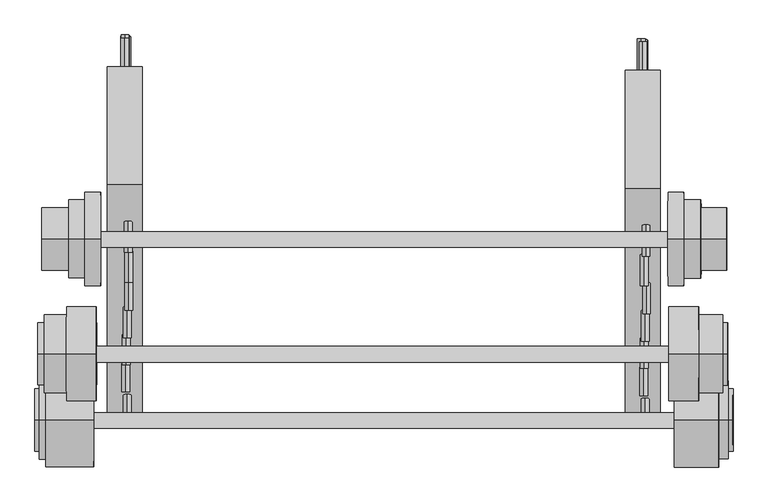
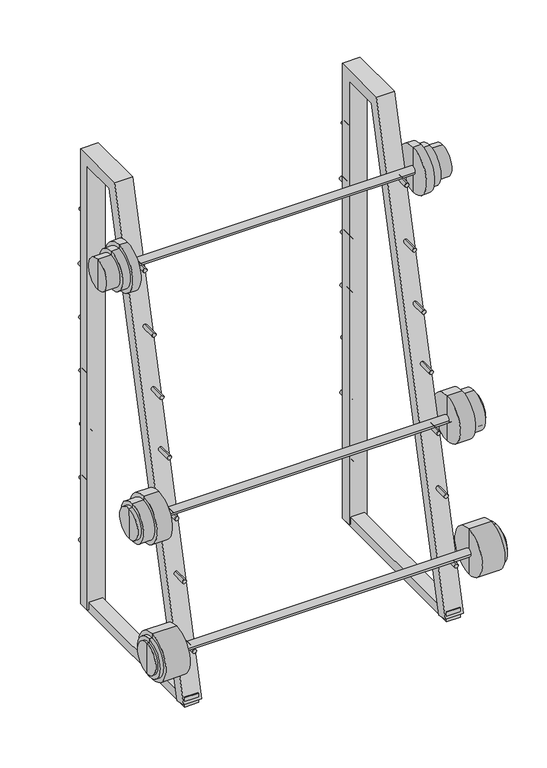
"""IFC4 building model written with IfcOpenShell, lengths in millimetres: proxy geometry."""

from ifc_helpers import new_model, si_unit, point, frame, frame_2d, origin, place, context, project, spatial, polyline, circle_curve, trimmed, segment, composite_curve, outline, extrude, source, transform, mapped, element, save
from ifc_brep_helpers import plane_surface, cylinder_surface, advanced_brep


def specialty_equipment_4a1b104c(model_context):
    return source(origin(), model_context, "Body", "SolidModel", [
        extrude(outline(composite_curve([segment(trimmed(circle_curve(frame_2d((1317.4327593, 1426.5135242)), 6.35), [point((1311.0827593, 1426.5135242))], [point((1323.7827593, 1426.5135242))], False, "CARTESIAN"), True, "CONTINUOUS"), segment(trimmed(circle_curve(frame_2d((1317.4327593, 1426.5135242)), 6.35), [point((1323.7827593, 1426.5135242))], [point((1311.0827593, 1426.5135242))], False, "CARTESIAN"), True, "CONTINUOUS")], self_intersect=False)), frame((0.0, -2543.6443645, 0.0), z_axis=(0.0, 1.0, 0.0), x_axis=(0.0, 0.0, 1.0)), (0.0, 0.0, 1.0), 50.8),
        extrude(outline(composite_curve([segment(trimmed(circle_curve(frame_2d((1125.8539952, 1423.9521431)), 6.35), [point((1119.5039952, 1423.9521431))], [point((1132.2039952, 1423.9521431))], False, "CARTESIAN"), True, "CONTINUOUS"), segment(trimmed(circle_curve(frame_2d((1125.8539952, 1423.9521431)), 6.35), [point((1132.2039952, 1423.9521431))], [point((1119.5039952, 1423.9521431))], False, "CARTESIAN"), True, "CONTINUOUS")], self_intersect=False)), frame((0.0, -2538.3928713, 0.0), z_axis=(0.0, 1.0, 0.0), x_axis=(0.0, 0.0, 1.0)), (0.0, 0.0, 1.0), 50.8),
        extrude(outline(composite_curve([segment(trimmed(circle_curve(frame_2d((944.9274605, 1426.8239084)), 6.35), [point((938.5774605, 1426.8239084))], [point((951.2774605, 1426.8239084))], False, "CARTESIAN"), True, "CONTINUOUS"), segment(trimmed(circle_curve(frame_2d((944.9274605, 1426.8239084)), 6.35), [point((951.2774605, 1426.8239084))], [point((938.5774605, 1426.8239084))], False, "CARTESIAN"), True, "CONTINUOUS")], self_intersect=False)), frame((0.0, -2540.0196629, 0.0), z_axis=(0.0, 1.0, 0.0), x_axis=(0.0, 0.0, 1.0)), (0.0, 0.0, 1.0), 50.8),
        extrude(outline(composite_curve([segment(trimmed(circle_curve(frame_2d((764.8635011, 1424.3394588)), 6.35), [point((758.5135011, 1424.3394588))], [point((771.2135011, 1424.3394588))], False, "CARTESIAN"), True, "CONTINUOUS"), segment(trimmed(circle_curve(frame_2d((764.8635011, 1424.3394588)), 6.35), [point((771.2135011, 1424.3394588))], [point((758.5135011, 1424.3394588))], False, "CARTESIAN"), True, "CONTINUOUS")], self_intersect=False)), frame((0.0, -2540.83498, 0.0), z_axis=(0.0, 1.0, 0.0), x_axis=(0.0, 0.0, 1.0)), (0.0, 0.0, 1.0), 50.8),
        extrude(outline(composite_curve([segment(trimmed(circle_curve(frame_2d((588.0030748, 1426.3858814)), 6.35), [point((581.6530748, 1426.3858814))], [point((594.3530748, 1426.3858814))], False, "CARTESIAN"), True, "CONTINUOUS"), segment(trimmed(circle_curve(frame_2d((588.0030748, 1426.3858814)), 6.35), [point((594.3530748, 1426.3858814))], [point((581.6530748, 1426.3858814))], False, "CARTESIAN"), True, "CONTINUOUS")], self_intersect=False)), frame((0.0, -2541.4876236, 0.0), z_axis=(0.0, 1.0, 0.0), x_axis=(0.0, 0.0, 1.0)), (0.0, 0.0, 1.0), 50.8),
        extrude(outline(composite_curve([segment(trimmed(circle_curve(frame_2d((399.6720756, 1425.3663836)), 6.35), [point((393.3220756, 1425.3663836))], [point((406.0220756, 1425.3663836))], False, "CARTESIAN"), True, "CONTINUOUS"), segment(trimmed(circle_curve(frame_2d((399.6720756, 1425.3663836)), 6.35), [point((406.0220756, 1425.3663836))], [point((393.3220756, 1425.3663836))], False, "CARTESIAN"), True, "CONTINUOUS")], self_intersect=False)), frame((0.0, -2539.4122407, 0.0), z_axis=(0.0, 1.0, 0.0), x_axis=(0.0, 0.0, 1.0)), (0.0, 0.0, 1.0), 50.8),
        extrude(outline(composite_curve([segment(trimmed(circle_curve(frame_2d((189.5629531, 1427.5541395)), 6.35), [point((183.2129531, 1427.5541395))], [point((195.9129531, 1427.5541395))], False, "CARTESIAN"), True, "CONTINUOUS"), segment(trimmed(circle_curve(frame_2d((189.5629531, 1427.5541395)), 6.35), [point((195.9129531, 1427.5541395))], [point((183.2129531, 1427.5541395))], False, "CARTESIAN"), True, "CONTINUOUS")], self_intersect=False)), frame((0.0, -2540.3354538, 0.0), z_axis=(0.0, 1.0, 0.0), x_axis=(0.0, 0.0, 1.0)), (0.0, 0.0, 1.0), 50.8),
        extrude(outline(composite_curve([segment(trimmed(circle_curve(frame_2d((1312.35276, 1431.4679697)), 6.35), [point((1306.00276, 1431.4679697))], [point((1318.70276, 1431.4679697))], False, "CARTESIAN"), True, "CONTINUOUS"), segment(trimmed(circle_curve(frame_2d((1312.35276, 1431.4679697)), 6.35), [point((1318.70276, 1431.4679697))], [point((1306.00276, 1431.4679697))], False, "CARTESIAN"), True, "CONTINUOUS")], self_intersect=False)), frame((0.0, -2839.633564, 0.0), z_axis=(0.0, 1.0, 0.0), x_axis=(0.0, 0.0, 1.0)), (0.0, 0.0, 1.0), 50.8),
        extrude(outline(composite_curve([segment(trimmed(circle_curve(frame_2d((1122.2914332, 1428.4125784)), 6.35), [point((1115.9414332, 1428.4125784))], [point((1128.6414332, 1428.4125784))], False, "CARTESIAN"), True, "CONTINUOUS"), segment(trimmed(circle_curve(frame_2d((1122.2914332, 1428.4125784)), 6.35), [point((1128.6414332, 1428.4125784))], [point((1115.9414332, 1428.4125784))], False, "CARTESIAN"), True, "CONTINUOUS")], self_intersect=False)), frame((0.0, -2887.5451793, 0.0), z_axis=(0.0, 1.0, 0.0), x_axis=(0.0, 0.0, 1.0)), (0.0, 0.0, 1.0), 50.8),
        extrude(outline(composite_curve([segment(trimmed(circle_curve(frame_2d((937.6070397, 1432.260968)), 6.35), [point((931.2570397, 1432.260968))], [point((943.9570397, 1432.260968))], False, "CARTESIAN"), True, "CONTINUOUS"), segment(trimmed(circle_curve(frame_2d((937.6070397, 1432.260968)), 6.35), [point((943.9570397, 1432.260968))], [point((931.2570397, 1432.260968))], False, "CARTESIAN"), True, "CONTINUOUS")], self_intersect=False)), frame((0.0, -2933.0458181, 0.0), z_axis=(0.0, 1.0, 0.0), x_axis=(0.0, 0.0, 1.0)), (0.0, 0.0, 1.0), 50.8),
        extrude(outline(composite_curve([segment(trimmed(circle_curve(frame_2d((760.7995017, 1430.304206)), 6.35), [point((754.4495017, 1430.304206))], [point((767.1495017, 1430.304206))], False, "CARTESIAN"), True, "CONTINUOUS"), segment(trimmed(circle_curve(frame_2d((760.7995017, 1430.304206)), 6.35), [point((767.1495017, 1430.304206))], [point((754.4495017, 1430.304206))], False, "CARTESIAN"), True, "CONTINUOUS")], self_intersect=False)), frame((0.0, -2977.6345753, 0.0), z_axis=(0.0, 1.0, 0.0), x_axis=(0.0, 0.0, 1.0)), (0.0, 0.0, 1.0), 50.8),
        extrude(outline(composite_curve([segment(trimmed(circle_curve(frame_2d((580.8910758, 1428.5055717)), 6.35), [point((574.5410758, 1428.5055717))], [point((587.2410758, 1428.5055717))], False, "CARTESIAN"), True, "CONTINUOUS"), segment(trimmed(circle_curve(frame_2d((580.8910758, 1428.5055717)), 6.35), [point((587.2410758, 1428.5055717))], [point((574.5410758, 1428.5055717))], False, "CARTESIAN"), True, "CONTINUOUS")], self_intersect=False)), frame((0.0, -3021.3924421, 0.0), z_axis=(0.0, 1.0, 0.0), x_axis=(0.0, 0.0, 1.0)), (0.0, 0.0, 1.0), 50.8),
        extrude(outline(composite_curve([segment(trimmed(circle_curve(frame_2d((394.2354828, 1427.8426674)), 6.35), [point((387.8854828, 1427.8426674))], [point((400.5854828, 1427.8426674))], False, "CARTESIAN"), True, "CONTINUOUS"), segment(trimmed(circle_curve(frame_2d((394.2354828, 1427.8426674)), 6.35), [point((400.5854828, 1427.8426674))], [point((387.8854828, 1427.8426674))], False, "CARTESIAN"), True, "CONTINUOUS")], self_intersect=False)), frame((0.0, -3065.2802405, 0.0), z_axis=(0.0, 1.0, 0.0), x_axis=(0.0, 0.0, 1.0)), (0.0, 0.0, 1.0), 50.8),
        extrude(outline(composite_curve([segment(trimmed(circle_curve(frame_2d((187.9856629, 1430.0350758)), 6.35), [point((181.6356629, 1430.0350758))], [point((194.3356629, 1430.0350758))], False, "CARTESIAN"), True, "CONTINUOUS"), segment(trimmed(circle_curve(frame_2d((187.9856629, 1430.0350758)), 6.35), [point((194.3356629, 1430.0350758))], [point((181.6356629, 1430.0350758))], False, "CARTESIAN"), True, "CONTINUOUS")], self_intersect=False)), frame((0.0, -3117.4542686, 0.0), z_axis=(0.0, 1.0, 0.0), x_axis=(0.0, 0.0, 1.0)), (0.0, 0.0, 1.0), 50.8),
        extrude(outline(polyline([(1446.6601812, -2540.4948136), (1446.6601812, -3111.1850195), (1402.2101812, -3111.1850195), (1402.2101812, -2540.4948136), (1446.6601812, -2540.4948136)])), frame((0.0, 0.0, 4.9132086), z_axis=(0.0, 0.0, 1.0), x_axis=(1.0, 0.0, 0.0)), (0.0, 0.0, 1.0), 31.75),
        extrude(outline(polyline([(-2577.1651415, 11.1358081), (-2577.1651415, 1518.3324861), (-2699.6336255, 1518.3324861), (-3076.4335043, 7.0707166), (-3113.4017715, 16.2879408), (-2729.4006079, 1556.4324861), (-2539.0651415, 1556.4324861), (-2539.0651415, 11.1358081), (-2577.1651415, 11.1358081)])), frame((1397.4459215, 0.0, 0.0), z_axis=(1.0, 0.0, 0.0), x_axis=(0.0, 1.0, 0.0)), (0.0, 0.0, 1.0), 57.15),
        extrude(outline(composite_curve([segment(trimmed(circle_curve(frame_2d((1315.2965711, 587.3718635)), 6.35), [point((1308.9465711, 587.3718635))], [point((1321.6465711, 587.3718635))], False, "CARTESIAN"), True, "CONTINUOUS"), segment(trimmed(circle_curve(frame_2d((1315.2965711, 587.3718635)), 6.35), [point((1321.6465711, 587.3718635))], [point((1308.9465711, 587.3718635))], False, "CARTESIAN"), True, "CONTINUOUS")], self_intersect=False)), frame((0.0, -2537.5626911, 0.0), z_axis=(0.0, 1.0, 0.0), x_axis=(0.0, 0.0, 1.0)), (0.0, 0.0, 1.0), 50.8),
        extrude(outline(composite_curve([segment(trimmed(circle_curve(frame_2d((1126.3554326, 587.8134083)), 6.35), [point((1120.0054326, 587.8134083))], [point((1132.7054326, 587.8134083))], False, "CARTESIAN"), True, "CONTINUOUS"), segment(trimmed(circle_curve(frame_2d((1126.3554326, 587.8134083)), 6.35), [point((1132.7054326, 587.8134083))], [point((1120.0054326, 587.8134083))], False, "CARTESIAN"), True, "CONTINUOUS")], self_intersect=False)), frame((0.0, -2532.3111979, 0.0), z_axis=(0.0, 1.0, 0.0), x_axis=(0.0, 0.0, 1.0)), (0.0, 0.0, 1.0), 50.8),
        extrude(outline(composite_curve([segment(trimmed(circle_curve(frame_2d((945.089174, 588.4374808)), 6.35), [point((938.739174, 588.4374808))], [point((951.439174, 588.4374808))], False, "CARTESIAN"), True, "CONTINUOUS"), segment(trimmed(circle_curve(frame_2d((945.089174, 588.4374808)), 6.35), [point((951.439174, 588.4374808))], [point((938.739174, 588.4374808))], False, "CARTESIAN"), True, "CONTINUOUS")], self_intersect=False)), frame((0.0, -2533.9379895, 0.0), z_axis=(0.0, 1.0, 0.0), x_axis=(0.0, 0.0, 1.0)), (0.0, 0.0, 1.0), 50.8),
        extrude(outline(composite_curve([segment(trimmed(circle_curve(frame_2d((764.8635011, 588.4276243)), 6.35), [point((758.5135011, 588.4276243))], [point((771.2135011, 588.4276243))], False, "CARTESIAN"), True, "CONTINUOUS"), segment(trimmed(circle_curve(frame_2d((764.8635011, 588.4276243)), 6.35), [point((771.2135011, 588.4276243))], [point((758.5135011, 588.4276243))], False, "CARTESIAN"), True, "CONTINUOUS")], self_intersect=False)), frame((0.0, -2534.7533066, 0.0), z_axis=(0.0, 1.0, 0.0), x_axis=(0.0, 0.0, 1.0)), (0.0, 0.0, 1.0), 50.8),
        extrude(outline(composite_curve([segment(trimmed(circle_curve(frame_2d((582.9887015, 590.4529638)), 6.35), [point((576.6387015, 590.4529638))], [point((589.3387015, 590.4529638))], False, "CARTESIAN"), True, "CONTINUOUS"), segment(trimmed(circle_curve(frame_2d((582.9887015, 590.4529638)), 6.35), [point((589.3387015, 590.4529638))], [point((576.6387015, 590.4529638))], False, "CARTESIAN"), True, "CONTINUOUS")], self_intersect=False)), frame((0.0, -2535.4059502, 0.0), z_axis=(0.0, 1.0, 0.0), x_axis=(0.0, 0.0, 1.0)), (0.0, 0.0, 1.0), 50.8),
        extrude(outline(composite_curve([segment(trimmed(circle_curve(frame_2d((400.331482, 589.3243871)), 6.35), [point((393.981482, 589.3243871))], [point((406.681482, 589.3243871))], False, "CARTESIAN"), True, "CONTINUOUS"), segment(trimmed(circle_curve(frame_2d((400.331482, 589.3243871)), 6.35), [point((406.681482, 589.3243871))], [point((393.981482, 589.3243871))], False, "CARTESIAN"), True, "CONTINUOUS")], self_intersect=False)), frame((0.0, -2533.3305673, 0.0), z_axis=(0.0, 1.0, 0.0), x_axis=(0.0, 0.0, 1.0)), (0.0, 0.0, 1.0), 50.8),
        extrude(outline(composite_curve([segment(trimmed(circle_curve(frame_2d((189.0615158, 587.403906)), 6.35), [point((182.7115158, 587.403906))], [point((195.4115158, 587.403906))], False, "CARTESIAN"), True, "CONTINUOUS"), segment(trimmed(circle_curve(frame_2d((189.0615158, 587.403906)), 6.35), [point((195.4115158, 587.403906))], [point((182.7115158, 587.403906))], False, "CARTESIAN"), True, "CONTINUOUS")], self_intersect=False)), frame((0.0, -2534.2537804, 0.0), z_axis=(0.0, 1.0, 0.0), x_axis=(0.0, 0.0, 1.0)), (0.0, 0.0, 1.0), 50.8),
        extrude(outline(composite_curve([segment(trimmed(circle_curve(frame_2d((1312.35276, 592.8220482)), 6.35), [point((1306.00276, 592.8220482))], [point((1318.70276, 592.8220482))], False, "CARTESIAN"), True, "CONTINUOUS"), segment(trimmed(circle_curve(frame_2d((1312.35276, 592.8220482)), 6.35), [point((1318.70276, 592.8220482))], [point((1306.00276, 592.8220482))], False, "CARTESIAN"), True, "CONTINUOUS")], self_intersect=False)), frame((0.0, -2833.5518906, 0.0), z_axis=(0.0, 1.0, 0.0), x_axis=(0.0, 0.0, 1.0)), (0.0, 0.0, 1.0), 50.8),
        extrude(outline(composite_curve([segment(trimmed(circle_curve(frame_2d((1122.2914332, 593.8032274)), 6.35), [point((1115.9414332, 593.8032274))], [point((1128.6414332, 593.8032274))], False, "CARTESIAN"), True, "CONTINUOUS"), segment(trimmed(circle_curve(frame_2d((1122.2914332, 593.8032274)), 6.35), [point((1128.6414332, 593.8032274))], [point((1115.9414332, 593.8032274))], False, "CARTESIAN"), True, "CONTINUOUS")], self_intersect=False)), frame((0.0, -2882.0401589, 0.0), z_axis=(0.0, 1.0, 0.0), x_axis=(0.0, 0.0, 1.0)), (0.0, 0.0, 1.0), 50.8),
        extrude(outline(composite_curve([segment(trimmed(circle_curve(frame_2d((937.6070397, 593.6150465)), 6.35), [point((931.2570397, 593.6150465))], [point((943.9570397, 593.6150465))], False, "CARTESIAN"), True, "CONTINUOUS"), segment(trimmed(circle_curve(frame_2d((937.6070397, 593.6150465)), 6.35), [point((943.9570397, 593.6150465))], [point((931.2570397, 593.6150465))], False, "CARTESIAN"), True, "CONTINUOUS")], self_intersect=False)), frame((0.0, -2926.9641447, 0.0), z_axis=(0.0, 1.0, 0.0), x_axis=(0.0, 0.0, 1.0)), (0.0, 0.0, 1.0), 50.8),
        extrude(outline(composite_curve([segment(trimmed(circle_curve(frame_2d((760.7995017, 591.6582845)), 6.35), [point((754.4495017, 591.6582845))], [point((767.1495017, 591.6582845))], False, "CARTESIAN"), True, "CONTINUOUS"), segment(trimmed(circle_curve(frame_2d((760.7995017, 591.6582845)), 6.35), [point((767.1495017, 591.6582845))], [point((754.4495017, 591.6582845))], False, "CARTESIAN"), True, "CONTINUOUS")], self_intersect=False)), frame((0.0, -2971.5529019, 0.0), z_axis=(0.0, 1.0, 0.0), x_axis=(0.0, 0.0, 1.0)), (0.0, 0.0, 1.0), 50.8),
        extrude(outline(composite_curve([segment(trimmed(circle_curve(frame_2d((580.8910758, 589.8596502)), 6.35), [point((574.5410758, 589.8596502))], [point((587.2410758, 589.8596502))], False, "CARTESIAN"), True, "CONTINUOUS"), segment(trimmed(circle_curve(frame_2d((580.8910758, 589.8596502)), 6.35), [point((587.2410758, 589.8596502))], [point((574.5410758, 589.8596502))], False, "CARTESIAN"), True, "CONTINUOUS")], self_intersect=False)), frame((0.0, -3015.3107687, 0.0), z_axis=(0.0, 1.0, 0.0), x_axis=(0.0, 0.0, 1.0)), (0.0, 0.0, 1.0), 50.8),
        extrude(outline(composite_curve([segment(trimmed(circle_curve(frame_2d((394.2354828, 589.1967459)), 6.35), [point((387.8854828, 589.1967459))], [point((400.5854828, 589.1967459))], False, "CARTESIAN"), True, "CONTINUOUS"), segment(trimmed(circle_curve(frame_2d((394.2354828, 589.1967459)), 6.35), [point((400.5854828, 589.1967459))], [point((387.8854828, 589.1967459))], False, "CARTESIAN"), True, "CONTINUOUS")], self_intersect=False)), frame((0.0, -3059.1985671, 0.0), z_axis=(0.0, 1.0, 0.0), x_axis=(0.0, 0.0, 1.0)), (0.0, 0.0, 1.0), 50.8),
        extrude(outline(composite_curve([segment(trimmed(circle_curve(frame_2d((187.9856629, 591.3891543)), 6.35), [point((181.6356629, 591.3891543))], [point((194.3356629, 591.3891543))], False, "CARTESIAN"), True, "CONTINUOUS"), segment(trimmed(circle_curve(frame_2d((187.9856629, 591.3891543)), 6.35), [point((194.3356629, 591.3891543))], [point((181.6356629, 591.3891543))], False, "CARTESIAN"), True, "CONTINUOUS")], self_intersect=False)), frame((0.0, -3111.3725952, 0.0), z_axis=(0.0, 1.0, 0.0), x_axis=(0.0, 0.0, 1.0)), (0.0, 0.0, 1.0), 50.8),
        extrude(outline(polyline([(608.0142597, -2534.4131402), (608.0142597, -3105.1033461), (563.5642597, -3105.1033461), (563.5642597, -2534.4131402), (608.0142597, -2534.4131402)])), frame((0.0, 0.0, 4.9132086), z_axis=(0.0, 0.0, 1.0), x_axis=(1.0, 0.0, 0.0)), (0.0, 0.0, 1.0), 31.75),
        extrude(outline(polyline([(-2571.0834681, 11.1358081), (-2571.0834681, 1518.3324861), (-2693.5519522, 1518.3324861), (-3070.3518309, 7.0707166), (-3107.3200981, 16.2879408), (-2723.3189345, 1556.4324861), (-2532.9834681, 1556.4324861), (-2532.9834681, 11.1358081), (-2571.0834681, 11.1358081)])), frame((558.8, 0.0, 0.0), z_axis=(1.0, 0.0, 0.0), x_axis=(0.0, 1.0, 0.0)), (0.0, 0.0, 1.0), 57.15),
        advanced_brep(
        [(1477.0472793, -3104.7601336, 213.458722), (1476.902527, -3104.7601336, 289.6585845), (1477.1920316, -3104.7601336, 137.2588595), (1572.2006059, -3104.7601336, 264.4395707), (1572.2971075, -3104.7601336, 213.6396624), (1572.393609, -3104.7601336, 162.839754), (1564.4748311, -3104.7601336, 264.4248945), (1564.6678342, -3104.7601336, 162.8250778), (1564.4507057, -3104.7601336, 277.1248716), (1564.6919596, -3104.7601336, 150.1251008), (1549.1982907, -3104.7601336, 277.0958975), (1549.4395445, -3104.7601336, 150.0961267), (1549.1741653, -3104.7601336, 289.7958746), (1549.4636699, -3104.7601336, 137.3961496)],
        [
            (0, 1),
            (1, 2, circle_curve(frame((1477.0472793, -3104.7601336, 213.458722), z_axis=(-0.9999981956892882, 0.0, -0.001899636325284712), x_axis=(0.0018996363252847125, 0.0, -0.9999981956892884)), 76.2)),
            (2, 0),
            (2, 1, circle_curve(frame((1477.0472793, -3104.7601336, 213.458722), z_axis=(-0.9999981956892882, 0.0, -0.001899636325284712), x_axis=(0.0018996363252847125, 0.0, -0.9999981956892884)), 76.2)),
            (3, 4),
            (4, 5),
            (5, 3, circle_curve(frame((1572.2971075, -3104.7601336, 213.6396624), z_axis=(0.9999981956892882, 0.0, 0.001899636325284712), x_axis=(0.0018996363252847125, 0.0, -0.9999981956892884)), 50.8)),
            (3, 5, circle_curve(frame((1572.2971075, -3104.7601336, 213.6396624), z_axis=(0.9999981956892882, 0.0, 0.001899636325284712), x_axis=(0.0018996363252847125, 0.0, -0.9999981956892884)), 50.8)),
            (6, 3),
            (5, 7),
            (7, 6, circle_curve(frame((1564.5713327, -3104.7601336, 213.6249862), z_axis=(0.9999981956892882, 0.0, 0.001899636325284712), x_axis=(0.0018996363252847125, 0.0, -0.9999981956892884)), 50.8)),
            (6, 7, circle_curve(frame((1564.5713327, -3104.7601336, 213.6249862), z_axis=(0.9999981956892882, 0.0, 0.001899636325284712), x_axis=(0.0018996363252847125, 0.0, -0.9999981956892884)), 50.8)),
            (8, 6),
            (7, 9),
            (9, 8, circle_curve(frame((1564.5713327, -3104.7601336, 213.6249862), z_axis=(0.9999981956892882, 0.0, 0.001899636325284712), x_axis=(0.0018996363252847125, 0.0, -0.9999981956892884)), 63.5)),
            (8, 9, circle_curve(frame((1564.5713327, -3104.7601336, 213.6249862), z_axis=(0.9999981956892882, 0.0, 0.001899636325284712), x_axis=(0.0018996363252847125, 0.0, -0.9999981956892884)), 63.5)),
            (10, 8),
            (9, 11),
            (11, 10, circle_curve(frame((1549.3189176, -3104.7601336, 213.5960121), z_axis=(0.9999981956892882, 0.0, 0.001899636325284712), x_axis=(0.0018996363252847125, 0.0, -0.9999981956892884)), 63.5)),
            (10, 11, circle_curve(frame((1549.3189176, -3104.7601336, 213.5960121), z_axis=(0.9999981956892882, 0.0, 0.001899636325284712), x_axis=(0.0018996363252847125, 0.0, -0.9999981956892884)), 63.5)),
            (12, 10),
            (11, 13),
            (13, 12, circle_curve(frame((1549.3189176, -3104.7601336, 213.5960121), z_axis=(0.9999981956892882, 0.0, 0.001899636325284712), x_axis=(0.0018996363252847125, 0.0, -0.9999981956892884)), 76.2)),
            (12, 13, circle_curve(frame((1549.3189176, -3104.7601336, 213.5960121), z_axis=(0.9999981956892882, 0.0, 0.001899636325284712), x_axis=(0.0018996363252847125, 0.0, -0.9999981956892884)), 76.2)),
            (1, 12),
            (13, 2),
        ],
        [
            plane_surface(frame((1477.0472793, -3104.7601336, 213.458722), z_axis=(-0.9999981956892882, 0.0, -0.001899636325284712), x_axis=(0.001899636325284712, 0.0, -0.9999981956892882))),
            plane_surface(frame((1572.2971075, -3104.7601336, 213.6396624), z_axis=(0.9999981956892882, 0.0, 0.001899636325284712), x_axis=(0.001899636325284712, 0.0, -0.9999981956892882))),
            cylinder_surface(frame((1572.2971075, -3104.7601336, 213.6396624), z_axis=(-0.9999981956892882, 0.0, -0.001899636325284712), x_axis=(0.0018996363252847125, 0.0, -0.9999981956892884)), 50.8),
            plane_surface(frame((1564.5713327, -3104.7601336, 213.6249862), z_axis=(0.9999981956892882, 0.0, 0.001899636325284712), x_axis=(0.001899636325284712, 0.0, -0.9999981956892882))),
            cylinder_surface(frame((1572.2971075, -3104.7601336, 213.6396624), z_axis=(-0.9999981956892882, 0.0, -0.001899636325284712), x_axis=(0.0018996363252847125, 0.0, -0.9999981956892884)), 63.5),
            plane_surface(frame((1549.3189176, -3104.7601336, 213.5960121), z_axis=(0.9999981956892882, 0.0, 0.001899636325284712), x_axis=(0.001899636325284712, 0.0, -0.9999981956892882))),
            cylinder_surface(frame((1572.2971075, -3104.7601336, 213.6396624), z_axis=(-0.9999981956892882, 0.0, -0.001899636325284712), x_axis=(0.0018996363252847125, 0.0, -0.9999981956892884)), 76.2),
        ],
        [
            (0, [[1, 2, 3]]),
            (0, [[-3, 4, -1]]),
            (1, [[5, 6, 7]]),
            (1, [[-6, -5, 8]]),
            (2, [[9, -7, 10, 11]]),
            (2, [[-10, -8, -9, 12]]),
            (3, [[13, -11, 14, 15]]),
            (3, [[-14, -12, -13, 16]]),
            (4, [[17, -15, 18, 19]]),
            (4, [[-18, -16, -17, 20]]),
            (5, [[21, -19, 22, 23]]),
            (5, [[-22, -20, -21, 24]]),
            (6, [[25, -23, 26, -2]]),
            (6, [[-26, -24, -25, -4]]),
        ],
    ),
        extrude(outline(composite_curve([segment(trimmed(circle_curve(frame_2d((0.0, 12.7)), 12.7), [point((0.0, 25.4))], [point((0.0, 0.0))], False, "CARTESIAN"), True, "CONTINUOUS"), segment(trimmed(circle_curve(frame_2d((0.0, 12.7)), 12.7), [point((0.0, 0.0))], [point((0.0, 25.4))], False, "CARTESIAN"), True, "CONTINUOUS")], self_intersect=False)), frame((537.2546397, -3118.296939, 209.415215), z_axis=(0.9999981956892882, 0.0, 0.0018996363252847118), x_axis=(0.0018996363252847118, 0.0, -0.9999981956892882)), (0.0, 0.0, 1.0), 954.1597835),
        advanced_brep(
        [(459.4851684, -3104.7601336, 289.1733835), (537.1028479, -3104.7601336, 289.3208292), (537.3923524, -3104.7601336, 136.9211042), (459.774673, -3104.7601336, 136.7736585), (459.5092938, -3104.7601336, 276.4734065), (459.7505476, -3104.7601336, 149.4736356), (448.8989181, -3104.7601336, 276.4532506), (449.1401719, -3104.7601336, 149.4534797), (448.9230435, -3104.7601336, 263.7532735), (449.1160466, -3104.7601336, 162.1534568), (441.9012705, -3104.7601336, 263.7399346), (442.0942735, -3104.7601336, 162.140118), (441.997772, -3104.7601336, 212.9400263), (537.2476001, -3104.7601336, 213.1209667)],
        [
            (0, 1),
            (1, 2, circle_curve(frame((537.2476001, -3104.7601336, 213.1209667), z_axis=(-0.9999981956892882, 0.0, -0.001899636325284712), x_axis=(0.0018996363252847125, 0.0, -0.9999981956892884)), 76.2)),
            (2, 3),
            (3, 0, circle_curve(frame((459.6299207, -3104.7601336, 212.973521), z_axis=(0.9999981956892882, 0.0, 0.001899636325284712), x_axis=(0.0018996363252847125, 0.0, -0.9999981956892884)), 76.2)),
            (2, 1, circle_curve(frame((537.2476001, -3104.7601336, 213.1209667), z_axis=(-0.9999981956892882, 0.0, -0.001899636325284712), x_axis=(0.0018996363252847125, 0.0, -0.9999981956892884)), 76.2)),
            (0, 3, circle_curve(frame((459.6299207, -3104.7601336, 212.973521), z_axis=(0.9999981956892882, 0.0, 0.001899636325284712), x_axis=(0.0018996363252847125, 0.0, -0.9999981956892884)), 76.2)),
            (4, 0),
            (3, 5),
            (5, 4, circle_curve(frame((459.6299207, -3104.7601336, 212.973521), z_axis=(0.9999981956892882, 0.0, 0.001899636325284712), x_axis=(0.0018996363252847125, 0.0, -0.9999981956892884)), 63.5)),
            (4, 5, circle_curve(frame((459.6299207, -3104.7601336, 212.973521), z_axis=(0.9999981956892882, 0.0, 0.001899636325284712), x_axis=(0.0018996363252847125, 0.0, -0.9999981956892884)), 63.5)),
            (6, 4),
            (5, 7),
            (7, 6, circle_curve(frame((449.019545, -3104.7601336, 212.9533651), z_axis=(0.9999981956892882, 0.0, 0.001899636325284712), x_axis=(0.0018996363252847125, 0.0, -0.9999981956892884)), 63.5)),
            (6, 7, circle_curve(frame((449.019545, -3104.7601336, 212.9533651), z_axis=(0.9999981956892882, 0.0, 0.001899636325284712), x_axis=(0.0018996363252847125, 0.0, -0.9999981956892884)), 63.5)),
            (8, 6),
            (7, 9),
            (9, 8, circle_curve(frame((449.019545, -3104.7601336, 212.9533651), z_axis=(0.9999981956892882, 0.0, 0.001899636325284712), x_axis=(0.0018996363252847125, 0.0, -0.9999981956892884)), 50.8)),
            (8, 9, circle_curve(frame((449.019545, -3104.7601336, 212.9533651), z_axis=(0.9999981956892882, 0.0, 0.001899636325284712), x_axis=(0.0018996363252847125, 0.0, -0.9999981956892884)), 50.8)),
            (10, 8),
            (9, 11),
            (11, 10, circle_curve(frame((441.997772, -3104.7601336, 212.9400263), z_axis=(0.9999981956892882, 0.0, 0.001899636325284712), x_axis=(0.0018996363252847125, 0.0, -0.9999981956892884)), 50.8)),
            (10, 11, circle_curve(frame((441.997772, -3104.7601336, 212.9400263), z_axis=(0.9999981956892882, 0.0, 0.001899636325284712), x_axis=(0.0018996363252847125, 0.0, -0.9999981956892884)), 50.8)),
            (12, 10),
            (11, 12),
            (1, 13),
            (13, 2),
        ],
        [
            cylinder_surface(frame((441.997772, -3104.7601336, 212.9400263), z_axis=(-0.9999981956892882, 0.0, -0.001899636325284712), x_axis=(0.0018996363252847125, 0.0, -0.9999981956892884)), 76.2),
            plane_surface(frame((459.6299207, -3104.7601336, 212.973521), z_axis=(-0.9999981956892882, 0.0, -0.001899636325284712), x_axis=(0.001899636325284712, 0.0, -0.9999981956892882))),
            cylinder_surface(frame((441.997772, -3104.7601336, 212.9400263), z_axis=(-0.9999981956892882, 0.0, -0.001899636325284712), x_axis=(0.0018996363252847125, 0.0, -0.9999981956892884)), 63.5),
            plane_surface(frame((449.019545, -3104.7601336, 212.9533651), z_axis=(-0.9999981956892882, 0.0, -0.001899636325284712), x_axis=(0.001899636325284712, 0.0, -0.9999981956892882))),
            cylinder_surface(frame((441.997772, -3104.7601336, 212.9400263), z_axis=(-0.9999981956892882, 0.0, -0.001899636325284712), x_axis=(0.0018996363252847125, 0.0, -0.9999981956892884)), 50.8),
            plane_surface(frame((441.997772, -3104.7601336, 212.9400263), z_axis=(-0.9999981956892882, 0.0, -0.001899636325284712), x_axis=(0.001899636325284712, 0.0, -0.9999981956892882))),
            plane_surface(frame((537.2476001, -3104.7601336, 213.1209667), z_axis=(0.9999981956892882, 0.0, 0.001899636325284712), x_axis=(0.001899636325284712, 0.0, -0.9999981956892882))),
        ],
        [
            (0, [[1, 2, 3, 4]]),
            (0, [[-3, 5, -1, 6]]),
            (1, [[7, -4, 8, 9]]),
            (1, [[-8, -6, -7, 10]]),
            (2, [[11, -9, 12, 13]]),
            (2, [[-12, -10, -11, 14]]),
            (3, [[15, -13, 16, 17]]),
            (3, [[-16, -14, -15, 18]]),
            (4, [[19, -17, 20, 21]]),
            (4, [[-20, -18, -19, 22]]),
            (5, [[23, -21, 24]]),
            (5, [[-24, -22, -23]]),
            (6, [[25, 26, -2]]),
            (6, [[-26, -25, -5]]),
        ],
    ),
        advanced_brep(
        [(1467.0818707, -2811.7346779, 1336.6499143), (1466.9371184, -2811.7346779, 1412.8497768), (1467.226623, -2811.7346779, 1260.4500518), (1562.2351973, -2811.7346779, 1387.630763), (1562.3316988, -2811.7346779, 1336.8308547), (1562.4282004, -2811.7346779, 1286.0309463), (1520.2769435, -2811.7346779, 1387.5510574), (1520.4699466, -2811.7346779, 1285.9512408), (1520.2528182, -2811.7346779, 1400.2510345), (1520.494072, -2811.7346779, 1273.2512637), (1492.4141947, -2811.7346779, 1400.1981512), (1492.6554486, -2811.7346779, 1273.1983803), (1492.3900694, -2811.7346779, 1412.8981283), (1492.6795739, -2811.7346779, 1260.4984032)],
        [
            (0, 1),
            (1, 2, circle_curve(frame((1467.0818707, -2811.7346779, 1336.6499143), z_axis=(-0.9999981956892882, 0.0, -0.001899636325284712), x_axis=(0.0018996363252847125, 0.0, -0.9999981956892884)), 76.2)),
            (2, 0),
            (2, 1, circle_curve(frame((1467.0818707, -2811.7346779, 1336.6499143), z_axis=(-0.9999981956892882, 0.0, -0.001899636325284712), x_axis=(0.0018996363252847125, 0.0, -0.9999981956892884)), 76.2)),
            (3, 4),
            (4, 5),
            (5, 3, circle_curve(frame((1562.3316988, -2811.7346779, 1336.8308547), z_axis=(0.9999981956892882, 0.0, 0.001899636325284712), x_axis=(0.0018996363252847125, 0.0, -0.9999981956892884)), 50.8)),
            (3, 5, circle_curve(frame((1562.3316988, -2811.7346779, 1336.8308547), z_axis=(0.9999981956892882, 0.0, 0.001899636325284712), x_axis=(0.0018996363252847125, 0.0, -0.9999981956892884)), 50.8)),
            (6, 3),
            (5, 7),
            (7, 6, circle_curve(frame((1520.3734451, -2811.7346779, 1336.7511491), z_axis=(0.9999981956892882, 0.0, 0.001899636325284712), x_axis=(0.0018996363252847125, 0.0, -0.9999981956892884)), 50.8)),
            (6, 7, circle_curve(frame((1520.3734451, -2811.7346779, 1336.7511491), z_axis=(0.9999981956892882, 0.0, 0.001899636325284712), x_axis=(0.0018996363252847125, 0.0, -0.9999981956892884)), 50.8)),
            (8, 6),
            (7, 9),
            (9, 8, circle_curve(frame((1520.3734451, -2811.7346779, 1336.7511491), z_axis=(0.9999981956892882, 0.0, 0.001899636325284712), x_axis=(0.0018996363252847125, 0.0, -0.9999981956892884)), 63.5)),
            (8, 9, circle_curve(frame((1520.3734451, -2811.7346779, 1336.7511491), z_axis=(0.9999981956892882, 0.0, 0.001899636325284712), x_axis=(0.0018996363252847125, 0.0, -0.9999981956892884)), 63.5)),
            (10, 8),
            (9, 11),
            (11, 10, circle_curve(frame((1492.5348217, -2811.7346779, 1336.6982657), z_axis=(0.9999981956892882, 0.0, 0.001899636325284712), x_axis=(0.0018996363252847125, 0.0, -0.9999981956892884)), 63.5)),
            (10, 11, circle_curve(frame((1492.5348217, -2811.7346779, 1336.6982657), z_axis=(0.9999981956892882, 0.0, 0.001899636325284712), x_axis=(0.0018996363252847125, 0.0, -0.9999981956892884)), 63.5)),
            (12, 10),
            (11, 13),
            (13, 12, circle_curve(frame((1492.5348217, -2811.7346779, 1336.6982657), z_axis=(0.9999981956892882, 0.0, 0.001899636325284712), x_axis=(0.0018996363252847125, 0.0, -0.9999981956892884)), 76.2)),
            (12, 13, circle_curve(frame((1492.5348217, -2811.7346779, 1336.6982657), z_axis=(0.9999981956892882, 0.0, 0.001899636325284712), x_axis=(0.0018996363252847125, 0.0, -0.9999981956892884)), 76.2)),
            (1, 12),
            (13, 2),
        ],
        [
            plane_surface(frame((1467.0818707, -2811.7346779, 1336.6499143), z_axis=(-0.9999981956892882, 0.0, -0.001899636325284712), x_axis=(0.001899636325284712, 0.0, -0.9999981956892882))),
            plane_surface(frame((1562.3316988, -2811.7346779, 1336.8308547), z_axis=(0.9999981956892882, 0.0, 0.001899636325284712), x_axis=(0.001899636325284712, 0.0, -0.9999981956892882))),
            cylinder_surface(frame((1562.3316988, -2811.7346779, 1336.8308547), z_axis=(-0.9999981956892882, 0.0, -0.001899636325284712), x_axis=(0.0018996363252847125, 0.0, -0.9999981956892884)), 50.8),
            plane_surface(frame((1520.3734451, -2811.7346779, 1336.7511491), z_axis=(0.9999981956892882, 0.0, 0.001899636325284712), x_axis=(0.001899636325284712, 0.0, -0.9999981956892882))),
            cylinder_surface(frame((1562.3316988, -2811.7346779, 1336.8308547), z_axis=(-0.9999981956892882, 0.0, -0.001899636325284712), x_axis=(0.0018996363252847125, 0.0, -0.9999981956892884)), 63.5),
            plane_surface(frame((1492.5348217, -2811.7346779, 1336.6982657), z_axis=(0.9999981956892882, 0.0, 0.001899636325284712), x_axis=(0.001899636325284712, 0.0, -0.9999981956892882))),
            cylinder_surface(frame((1562.3316988, -2811.7346779, 1336.8308547), z_axis=(-0.9999981956892882, 0.0, -0.001899636325284712), x_axis=(0.0018996363252847125, 0.0, -0.9999981956892884)), 76.2),
        ],
        [
            (0, [[1, 2, 3]]),
            (0, [[-3, 4, -1]]),
            (1, [[5, 6, 7]]),
            (1, [[-6, -5, 8]]),
            (2, [[9, -7, 10, 11]]),
            (2, [[-10, -8, -9, 12]]),
            (3, [[13, -11, 14, 15]]),
            (3, [[-14, -12, -13, 16]]),
            (4, [[17, -15, 18, 19]]),
            (4, [[-18, -16, -17, 20]]),
            (5, [[21, -19, 22, 23]]),
            (5, [[-22, -20, -21, 24]]),
            (6, [[25, -23, 26, -2]]),
            (6, [[-26, -24, -25, -4]]),
        ],
    ),
        extrude(outline(composite_curve([segment(trimmed(circle_curve(frame_2d((0.0, 12.7)), 12.7), [point((0.0, 25.4))], [point((0.0, 0.0))], False, "CARTESIAN"), True, "CONTINUOUS"), segment(trimmed(circle_curve(frame_2d((0.0, 12.7)), 12.7), [point((0.0, 0.0))], [point((0.0, 25.4))], False, "CARTESIAN"), True, "CONTINUOUS")], self_intersect=False)), frame((547.6991104, -2825.2714833, 1333.7310908), z_axis=(0.9999981956892882, 0.0, 0.0018996363252847118), x_axis=(0.0018996363252847118, 0.0, -0.9999981956892882)), (0.0, 0.0, 1.0), 930.2646937),
        advanced_brep(
        [(522.2157594, -2811.7346779, 1411.6047292), (548.4196386, -2811.7346779, 1411.6545071), (548.7091432, -2811.7346779, 1259.2547821), (522.5052639, -2811.7346779, 1259.2050042), (522.2398848, -2811.7346779, 1398.9047521), (522.4811386, -2811.7346779, 1271.9049813), (496.3106856, -2811.7346779, 1398.855496), (496.5519394, -2811.7346779, 1271.8557251), (496.334811, -2811.7346779, 1386.1555189), (496.527814, -2811.7346779, 1284.5557022), (453.2180612, -2811.7346779, 1386.0736126), (453.4110643, -2811.7346779, 1284.4737959), (453.3145627, -2811.7346779, 1335.2737043), (548.5643909, -2811.7346779, 1335.4546446)],
        [
            (0, 1),
            (1, 2, circle_curve(frame((548.5643909, -2811.7346779, 1335.4546446), z_axis=(-0.9999981956892882, 0.0, -0.001899636325284712), x_axis=(0.0018996363252847125, 0.0, -0.9999981956892884)), 76.2)),
            (2, 3),
            (3, 0, circle_curve(frame((522.3605117, -2811.7346779, 1335.4048667), z_axis=(0.9999981956892882, 0.0, 0.001899636325284712), x_axis=(0.0018996363252847125, 0.0, -0.9999981956892884)), 76.2)),
            (2, 1, circle_curve(frame((548.5643909, -2811.7346779, 1335.4546446), z_axis=(-0.9999981956892882, 0.0, -0.001899636325284712), x_axis=(0.0018996363252847125, 0.0, -0.9999981956892884)), 76.2)),
            (0, 3, circle_curve(frame((522.3605117, -2811.7346779, 1335.4048667), z_axis=(0.9999981956892882, 0.0, 0.001899636325284712), x_axis=(0.0018996363252847125, 0.0, -0.9999981956892884)), 76.2)),
            (4, 0),
            (3, 5),
            (5, 4, circle_curve(frame((522.3605117, -2811.7346779, 1335.4048667), z_axis=(0.9999981956892882, 0.0, 0.001899636325284712), x_axis=(0.0018996363252847125, 0.0, -0.9999981956892884)), 63.5)),
            (4, 5, circle_curve(frame((522.3605117, -2811.7346779, 1335.4048667), z_axis=(0.9999981956892882, 0.0, 0.001899636325284712), x_axis=(0.0018996363252847125, 0.0, -0.9999981956892884)), 63.5)),
            (6, 4),
            (5, 7),
            (7, 6, circle_curve(frame((496.4313125, -2811.7346779, 1335.3556106), z_axis=(0.9999981956892882, 0.0, 0.001899636325284712), x_axis=(0.0018996363252847125, 0.0, -0.9999981956892884)), 63.5)),
            (6, 7, circle_curve(frame((496.4313125, -2811.7346779, 1335.3556106), z_axis=(0.9999981956892882, 0.0, 0.001899636325284712), x_axis=(0.0018996363252847125, 0.0, -0.9999981956892884)), 63.5)),
            (8, 6),
            (7, 9),
            (9, 8, circle_curve(frame((496.4313125, -2811.7346779, 1335.3556106), z_axis=(0.9999981956892882, 0.0, 0.001899636325284712), x_axis=(0.0018996363252847125, 0.0, -0.9999981956892884)), 50.8)),
            (8, 9, circle_curve(frame((496.4313125, -2811.7346779, 1335.3556106), z_axis=(0.9999981956892882, 0.0, 0.001899636325284712), x_axis=(0.0018996363252847125, 0.0, -0.9999981956892884)), 50.8)),
            (10, 8),
            (9, 11),
            (11, 10, circle_curve(frame((453.3145627, -2811.7346779, 1335.2737043), z_axis=(0.9999981956892882, 0.0, 0.001899636325284712), x_axis=(0.0018996363252847125, 0.0, -0.9999981956892884)), 50.8)),
            (10, 11, circle_curve(frame((453.3145627, -2811.7346779, 1335.2737043), z_axis=(0.9999981956892882, 0.0, 0.001899636325284712), x_axis=(0.0018996363252847125, 0.0, -0.9999981956892884)), 50.8)),
            (12, 10),
            (11, 12),
            (1, 13),
            (13, 2),
        ],
        [
            cylinder_surface(frame((453.3145627, -2811.7346779, 1335.2737043), z_axis=(-0.9999981956892882, 0.0, -0.001899636325284712), x_axis=(0.0018996363252847125, 0.0, -0.9999981956892884)), 76.2),
            plane_surface(frame((522.3605117, -2811.7346779, 1335.4048667), z_axis=(-0.9999981956892882, 0.0, -0.001899636325284712), x_axis=(0.001899636325284712, 0.0, -0.9999981956892882))),
            cylinder_surface(frame((453.3145627, -2811.7346779, 1335.2737043), z_axis=(-0.9999981956892882, 0.0, -0.001899636325284712), x_axis=(0.0018996363252847125, 0.0, -0.9999981956892884)), 63.5),
            plane_surface(frame((496.4313125, -2811.7346779, 1335.3556106), z_axis=(-0.9999981956892882, 0.0, -0.001899636325284712), x_axis=(0.001899636325284712, 0.0, -0.9999981956892882))),
            cylinder_surface(frame((453.3145627, -2811.7346779, 1335.2737043), z_axis=(-0.9999981956892882, 0.0, -0.001899636325284712), x_axis=(0.0018996363252847125, 0.0, -0.9999981956892884)), 50.8),
            plane_surface(frame((453.3145627, -2811.7346779, 1335.2737043), z_axis=(-0.9999981956892882, 0.0, -0.001899636325284712), x_axis=(0.001899636325284712, 0.0, -0.9999981956892882))),
            plane_surface(frame((548.5643909, -2811.7346779, 1335.4546446), z_axis=(0.9999981956892882, 0.0, 0.001899636325284712), x_axis=(0.001899636325284712, 0.0, -0.9999981956892882))),
        ],
        [
            (0, [[1, 2, 3, 4]]),
            (0, [[-3, 5, -1, 6]]),
            (1, [[7, -4, 8, 9]]),
            (1, [[-8, -6, -7, 10]]),
            (2, [[11, -9, 12, 13]]),
            (2, [[-12, -10, -11, 14]]),
            (3, [[15, -13, 16, 17]]),
            (3, [[-16, -14, -15, 18]]),
            (4, [[19, -17, 20, 21]]),
            (4, [[-20, -18, -19, 22]]),
            (5, [[23, -21, 24]]),
            (5, [[-24, -22, -23]]),
            (6, [[25, 26, -2]]),
            (6, [[-26, -25, -5]]),
        ],
    ),
        advanced_brep(
        [(1468.6309079, -2997.6769441, 604.7326192), (1468.4861556, -2997.6769441, 680.9324817), (1468.7756602, -2997.6769441, 528.5327567), (1563.7842345, -2997.6769441, 655.7134679), (1563.880736, -2997.6769441, 604.9135596), (1563.9772375, -2997.6769441, 554.1136512), (1555.3164167, -2997.6769441, 655.6973821), (1555.5094198, -2997.6769441, 554.0975654), (1555.2922913, -2997.6769441, 668.3973592), (1555.5335452, -2997.6769441, 541.3975883), (1516.7916451, -2997.6769441, 668.3242218), (1517.0328989, -2997.6769441, 541.324451), (1516.7675198, -2997.6769441, 681.0241989), (1517.0570243, -2997.6769441, 528.6244739)],
        [
            (0, 1),
            (1, 2, circle_curve(frame((1468.6309079, -2997.6769441, 604.7326192), z_axis=(-0.9999981956892882, 0.0, -0.001899636325284712), x_axis=(0.0018996363252847125, 0.0, -0.9999981956892884)), 76.2)),
            (2, 0),
            (2, 1, circle_curve(frame((1468.6309079, -2997.6769441, 604.7326192), z_axis=(-0.9999981956892882, 0.0, -0.001899636325284712), x_axis=(0.0018996363252847125, 0.0, -0.9999981956892884)), 76.2)),
            (3, 4),
            (4, 5),
            (5, 3, circle_curve(frame((1563.880736, -2997.6769441, 604.9135596), z_axis=(0.9999981956892882, 0.0, 0.001899636325284712), x_axis=(0.0018996363252847125, 0.0, -0.9999981956892884)), 50.8)),
            (3, 5, circle_curve(frame((1563.880736, -2997.6769441, 604.9135596), z_axis=(0.9999981956892882, 0.0, 0.001899636325284712), x_axis=(0.0018996363252847125, 0.0, -0.9999981956892884)), 50.8)),
            (6, 3),
            (5, 7),
            (7, 6, circle_curve(frame((1555.4129182, -2997.6769441, 604.8974738), z_axis=(0.9999981956892882, 0.0, 0.001899636325284712), x_axis=(0.0018996363252847125, 0.0, -0.9999981956892884)), 50.8)),
            (6, 7, circle_curve(frame((1555.4129182, -2997.6769441, 604.8974738), z_axis=(0.9999981956892882, 0.0, 0.001899636325284712), x_axis=(0.0018996363252847125, 0.0, -0.9999981956892884)), 50.8)),
            (8, 6),
            (7, 9),
            (9, 8, circle_curve(frame((1555.4129182, -2997.6769441, 604.8974738), z_axis=(0.9999981956892882, 0.0, 0.001899636325284712), x_axis=(0.0018996363252847125, 0.0, -0.9999981956892884)), 63.5)),
            (8, 9, circle_curve(frame((1555.4129182, -2997.6769441, 604.8974738), z_axis=(0.9999981956892882, 0.0, 0.001899636325284712), x_axis=(0.0018996363252847125, 0.0, -0.9999981956892884)), 63.5)),
            (10, 8),
            (9, 11),
            (11, 10, circle_curve(frame((1516.912272, -2997.6769441, 604.8243364), z_axis=(0.9999981956892882, 0.0, 0.001899636325284712), x_axis=(0.0018996363252847125, 0.0, -0.9999981956892884)), 63.5)),
            (10, 11, circle_curve(frame((1516.912272, -2997.6769441, 604.8243364), z_axis=(0.9999981956892882, 0.0, 0.001899636325284712), x_axis=(0.0018996363252847125, 0.0, -0.9999981956892884)), 63.5)),
            (12, 10),
            (11, 13),
            (13, 12, circle_curve(frame((1516.912272, -2997.6769441, 604.8243364), z_axis=(0.9999981956892882, 0.0, 0.001899636325284712), x_axis=(0.0018996363252847125, 0.0, -0.9999981956892884)), 76.2)),
            (12, 13, circle_curve(frame((1516.912272, -2997.6769441, 604.8243364), z_axis=(0.9999981956892882, 0.0, 0.001899636325284712), x_axis=(0.0018996363252847125, 0.0, -0.9999981956892884)), 76.2)),
            (1, 12),
            (13, 2),
        ],
        [
            plane_surface(frame((1468.6309079, -2997.6769441, 604.7326192), z_axis=(-0.9999981956892882, 0.0, -0.001899636325284712), x_axis=(0.001899636325284712, 0.0, -0.9999981956892882))),
            plane_surface(frame((1563.880736, -2997.6769441, 604.9135596), z_axis=(0.9999981956892882, 0.0, 0.001899636325284712), x_axis=(0.001899636325284712, 0.0, -0.9999981956892882))),
            cylinder_surface(frame((1563.880736, -2997.6769441, 604.9135596), z_axis=(-0.9999981956892882, 0.0, -0.001899636325284712), x_axis=(0.0018996363252847125, 0.0, -0.9999981956892884)), 50.8),
            plane_surface(frame((1555.4129182, -2997.6769441, 604.8974738), z_axis=(0.9999981956892882, 0.0, 0.001899636325284712), x_axis=(0.001899636325284712, 0.0, -0.9999981956892882))),
            cylinder_surface(frame((1563.880736, -2997.6769441, 604.9135596), z_axis=(-0.9999981956892882, 0.0, -0.001899636325284712), x_axis=(0.0018996363252847125, 0.0, -0.9999981956892884)), 63.5),
            plane_surface(frame((1516.912272, -2997.6769441, 604.8243364), z_axis=(0.9999981956892882, 0.0, 0.001899636325284712), x_axis=(0.001899636325284712, 0.0, -0.9999981956892882))),
            cylinder_surface(frame((1563.880736, -2997.6769441, 604.9135596), z_axis=(-0.9999981956892882, 0.0, -0.001899636325284712), x_axis=(0.0018996363252847125, 0.0, -0.9999981956892884)), 76.2),
        ],
        [
            (0, [[1, 2, 3]]),
            (0, [[-3, 4, -1]]),
            (1, [[5, 6, 7]]),
            (1, [[-6, -5, 8]]),
            (2, [[9, -7, 10, 11]]),
            (2, [[-10, -8, -9, 12]]),
            (3, [[13, -11, 14, 15]]),
            (3, [[-14, -12, -13, 16]]),
            (4, [[17, -15, 18, 19]]),
            (4, [[-18, -16, -17, 20]]),
            (5, [[21, -19, 22, 23]]),
            (5, [[-22, -20, -21, 24]]),
            (6, [[25, -23, 26, -2]]),
            (6, [[-26, -24, -25, -4]]),
        ],
    ),
        extrude(outline(composite_curve([segment(trimmed(circle_curve(frame_2d((0.0, 12.7)), 12.7), [point((0.0, 25.4))], [point((0.0, 0.0))], False, "CARTESIAN"), True, "CONTINUOUS"), segment(trimmed(circle_curve(frame_2d((0.0, 12.7)), 12.7), [point((0.0, 0.0))], [point((0.0, 25.4))], False, "CARTESIAN"), True, "CONTINUOUS")], self_intersect=False)), frame((530.054275, -3011.2137495, 600.9809272), z_axis=(0.9999981956892882, 0.0, 0.0018996363252847118), x_axis=(0.0018996363252847118, 0.0, -0.9999981956892882)), (0.0, 0.0, 1.0), 947.7104853),
        advanced_brep(
        [(492.9923866, -2997.6769441, 680.502795), (541.3864764, -2997.6769441, 680.5947264), (541.675981, -2997.6769441, 528.1950014), (493.2818911, -2997.6769441, 528.10307), (493.016512, -2997.6769441, 667.802818), (493.2577658, -2997.6769441, 540.8030471), (457.2615626, -2997.6769441, 667.7348964), (457.5028164, -2997.6769441, 540.7351256), (457.285688, -2997.6769441, 655.0349193), (457.478691, -2997.6769441, 553.4351027), (446.184899, -2997.6769441, 655.0138318), (446.3779021, -2997.6769441, 553.4140152), (446.2814005, -2997.6769441, 604.2139235), (541.5312287, -2997.6769441, 604.3948639)],
        [
            (0, 1),
            (1, 2, circle_curve(frame((541.5312287, -2997.6769441, 604.3948639), z_axis=(-0.9999981956892882, 0.0, -0.001899636325284712), x_axis=(0.0018996363252847125, 0.0, -0.9999981956892884)), 76.2)),
            (2, 3),
            (3, 0, circle_curve(frame((493.1371389, -2997.6769441, 604.3029325), z_axis=(0.9999981956892882, 0.0, 0.001899636325284712), x_axis=(0.0018996363252847125, 0.0, -0.9999981956892884)), 76.2)),
            (2, 1, circle_curve(frame((541.5312287, -2997.6769441, 604.3948639), z_axis=(-0.9999981956892882, 0.0, -0.001899636325284712), x_axis=(0.0018996363252847125, 0.0, -0.9999981956892884)), 76.2)),
            (0, 3, circle_curve(frame((493.1371389, -2997.6769441, 604.3029325), z_axis=(0.9999981956892882, 0.0, 0.001899636325284712), x_axis=(0.0018996363252847125, 0.0, -0.9999981956892884)), 76.2)),
            (4, 0),
            (3, 5),
            (5, 4, circle_curve(frame((493.1371389, -2997.6769441, 604.3029325), z_axis=(0.9999981956892882, 0.0, 0.001899636325284712), x_axis=(0.0018996363252847125, 0.0, -0.9999981956892884)), 63.5)),
            (4, 5, circle_curve(frame((493.1371389, -2997.6769441, 604.3029325), z_axis=(0.9999981956892882, 0.0, 0.001899636325284712), x_axis=(0.0018996363252847125, 0.0, -0.9999981956892884)), 63.5)),
            (6, 4),
            (5, 7),
            (7, 6, circle_curve(frame((457.3821895, -2997.6769441, 604.235011), z_axis=(0.9999981956892882, 0.0, 0.001899636325284712), x_axis=(0.0018996363252847125, 0.0, -0.9999981956892884)), 63.5)),
            (6, 7, circle_curve(frame((457.3821895, -2997.6769441, 604.235011), z_axis=(0.9999981956892882, 0.0, 0.001899636325284712), x_axis=(0.0018996363252847125, 0.0, -0.9999981956892884)), 63.5)),
            (8, 6),
            (7, 9),
            (9, 8, circle_curve(frame((457.3821895, -2997.6769441, 604.235011), z_axis=(0.9999981956892882, 0.0, 0.001899636325284712), x_axis=(0.0018996363252847125, 0.0, -0.9999981956892884)), 50.8)),
            (8, 9, circle_curve(frame((457.3821895, -2997.6769441, 604.235011), z_axis=(0.9999981956892882, 0.0, 0.001899636325284712), x_axis=(0.0018996363252847125, 0.0, -0.9999981956892884)), 50.8)),
            (10, 8),
            (9, 11),
            (11, 10, circle_curve(frame((446.2814005, -2997.6769441, 604.2139235), z_axis=(0.9999981956892882, 0.0, 0.001899636325284712), x_axis=(0.0018996363252847125, 0.0, -0.9999981956892884)), 50.8)),
            (10, 11, circle_curve(frame((446.2814005, -2997.6769441, 604.2139235), z_axis=(0.9999981956892882, 0.0, 0.001899636325284712), x_axis=(0.0018996363252847125, 0.0, -0.9999981956892884)), 50.8)),
            (12, 10),
            (11, 12),
            (1, 13),
            (13, 2),
        ],
        [
            cylinder_surface(frame((446.2814005, -2997.6769441, 604.2139235), z_axis=(-0.9999981956892882, 0.0, -0.001899636325284712), x_axis=(0.0018996363252847125, 0.0, -0.9999981956892884)), 76.2),
            plane_surface(frame((493.1371389, -2997.6769441, 604.3029325), z_axis=(-0.9999981956892882, 0.0, -0.001899636325284712), x_axis=(0.001899636325284712, 0.0, -0.9999981956892882))),
            cylinder_surface(frame((446.2814005, -2997.6769441, 604.2139235), z_axis=(-0.9999981956892882, 0.0, -0.001899636325284712), x_axis=(0.0018996363252847125, 0.0, -0.9999981956892884)), 63.5),
            plane_surface(frame((457.3821895, -2997.6769441, 604.235011), z_axis=(-0.9999981956892882, 0.0, -0.001899636325284712), x_axis=(0.001899636325284712, 0.0, -0.9999981956892882))),
            cylinder_surface(frame((446.2814005, -2997.6769441, 604.2139235), z_axis=(-0.9999981956892882, 0.0, -0.001899636325284712), x_axis=(0.0018996363252847125, 0.0, -0.9999981956892884)), 50.8),
            plane_surface(frame((446.2814005, -2997.6769441, 604.2139235), z_axis=(-0.9999981956892882, 0.0, -0.001899636325284712), x_axis=(0.001899636325284712, 0.0, -0.9999981956892882))),
            plane_surface(frame((541.5312287, -2997.6769441, 604.3948639), z_axis=(0.9999981956892882, 0.0, 0.001899636325284712), x_axis=(0.001899636325284712, 0.0, -0.9999981956892882))),
        ],
        [
            (0, [[1, 2, 3, 4]]),
            (0, [[-3, 5, -1, 6]]),
            (1, [[7, -4, 8, 9]]),
            (1, [[-8, -6, -7, 10]]),
            (2, [[11, -9, 12, 13]]),
            (2, [[-12, -10, -11, 14]]),
            (3, [[15, -13, 16, 17]]),
            (3, [[-16, -14, -15, 18]]),
            (4, [[19, -17, 20, 21]]),
            (4, [[-20, -18, -19, 22]]),
            (5, [[23, -21, 24]]),
            (5, [[-24, -22, -23]]),
            (6, [[25, 26, -2]]),
            (6, [[-26, -25, -5]]),
        ],
    ),
    ])


if __name__ == "__main__":
    model = new_model("IFC4")
    model_context = context("Model", 3, world=origin())
    ifc_project = project(units=[si_unit("LENGTHUNIT", "METRE", prefix="MILLI")], contexts=[model_context])
    site = spatial("IfcSite", under=ifc_project)
    building = spatial("IfcBuilding", under=site)
    placement = place(None, origin())
    specialty_equipment_shape = specialty_equipment_4a1b104c(model_context)
    element("IfcBuildingElementProxy", 1, Name="Specialty Equipment", at=placement, inside=building, context=model_context, shape_type="MappedRepresentation", body=[
        mapped(specialty_equipment_shape, transform((0.0, 0.0, 0.0), x_axis=(1.0, 0.0, 0.0), y_axis=(0.0, 1.0, 0.0), z_axis=(0.0, 0.0, 1.0))),
    ])
    save(model, "model.ifc")
